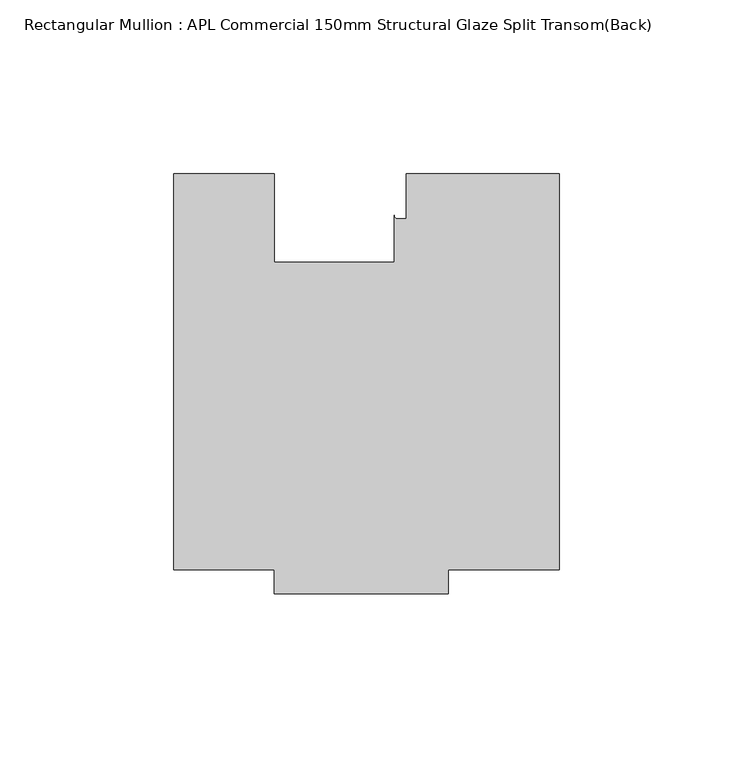
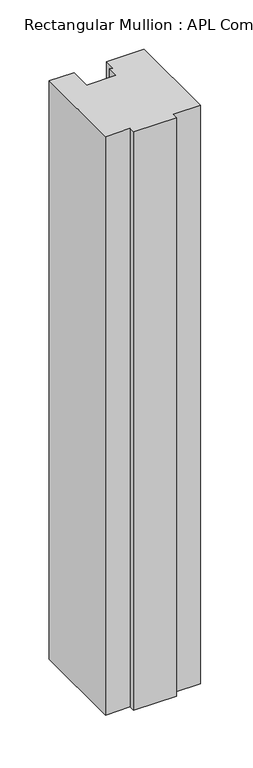
"""IFC4 building model written with IfcOpenShell, lengths in millimetres: member geometry, Rectangular Mullion : APL Commercial 150mm Structural Glaze Split Transom(Back)."""

from ifc_helpers import new_model, si_unit, point, frame, frame_2d, origin, place, context, project, spatial, polyline, circle_curve, trimmed, segment, composite_curve, outline, extrude, source, transform, mapped, element, save


def rectangular_mullion_apl_commercial_150mm_structural_glaze_1e1ea6a1(model_context):
    return source(origin(), model_context, "Body", "SweptSolid", [
        extrude(outline(composite_curve([segment(polyline([(54.0000029, -15.0004617), (54.0000029, -129.0003326), (22.0028846, -129.0003326), (22.0028846, -136.0003326), (-27.9971154, -136.0003326), (-27.9971154, -129.0002765), (-57.0000004, -129.0002765), (-57.0000004, -15.0001793), (-28.0000482, -15.0001793), (-28.0000482, -40.499932), (6.5000029, -40.499932), (6.5000029, -27.0002131)]), True, "CONTINUOUS"), segment(trimmed(circle_curve(frame_2d((7.5000029, -27.0002131)), 1.0), [point((6.5000029, -27.0002131))], [point((7.5000029, -28.0002131))], True, "CARTESIAN"), True, "CONTINUOUS"), segment(polyline([(7.5000029, -28.0002131), (10.0000029, -28.0002131), (10.0000029, -15.0004617), (54.0000029, -15.0004617)]), True, "CONTINUOUS")], self_intersect=False)), frame((0.0, 0.0, -715.3627169), z_axis=(0.0, 0.0, 1.0), x_axis=(1.0, 0.0, 0.0)), (0.0, 0.0, 1.0), 715.3627169),
    ])


if __name__ == "__main__":
    model = new_model("IFC4")
    model_context = context("Model", 3, world=origin())
    ifc_project = project(units=[si_unit("LENGTHUNIT", "METRE", prefix="MILLI")], contexts=[model_context])
    site = spatial("IfcSite", under=ifc_project)
    building = spatial("IfcBuilding", under=site)
    placement = place(None, origin())
    rectangular_mullion_apl_commercial_150mm_structural_glaze_shape = rectangular_mullion_apl_commercial_150mm_structural_glaze_1e1ea6a1(model_context)
    element("IfcMember", 1, ObjectType="Rectangular Mullion : APL Commercial 150mm Structural Glaze Split Transom(Back)", at=placement, inside=building, context=model_context, shape_type="MappedRepresentation", body=[
        mapped(rectangular_mullion_apl_commercial_150mm_structural_glaze_shape, transform((0.0, 0.0, 0.0), x_axis=(1.0, 0.0, 0.0), y_axis=(0.0, 1.0, 0.0), z_axis=(0.0, 0.0, 1.0))),
    ])
    save(model, "model.ifc")
